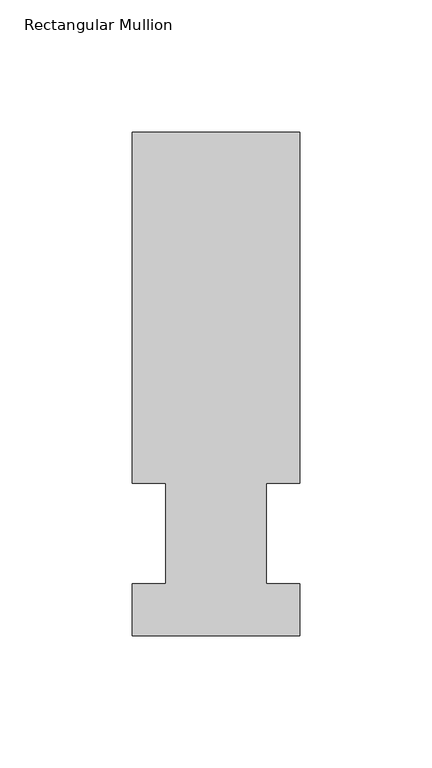
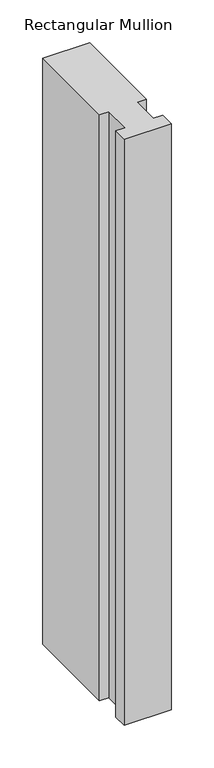
"""IFC4 building model written with IfcOpenShell, lengths in millimetres: member geometry, Rectangular Mullion."""

import ifcopenshell
import ifcopenshell.guid

model = None  # the IFC model being written
_history = None  # IfcOwnerHistory: only IFC2X3 demands one
_inside = {}  # id of a spatial element -> (the spatial element, [elements in it])
_under = {}  # id of a project, library or spatial element -> (it, [spatial elements below it])
_declared = {}  # id of a project -> (the project, [libraries it declares])
_typed = {}  # id of a type object -> (the type object, [elements of that type])
_made_of = {}  # id of a material, layer set ... -> (it, [elements and type objects made of it])


def new_model(schema):
    """Start an empty IFC model of exactly this schema.

    Asked for "IFC4X3", IfcOpenShell would pick the latest addendum, in which some entities
    have other attributes; the version numbers below select the first issue.
    IFC2X3 requires an IfcOwnerHistory on every rooted entity: one is made here for all.
    """
    global model, _history
    if schema == "IFC4X3":
        model = ifcopenshell.file(schema_version=(4, 3, 0, 0))
    else:
        model = ifcopenshell.file(schema=schema)
    _inside.clear()
    _under.clear()
    _declared.clear()
    _typed.clear()
    _made_of.clear()
    _history = None
    if model.schema == "IFC2X3":
        org = make("IfcOrganization", Name="unknown")
        user = make(
            "IfcPersonAndOrganization",
            ThePerson=make("IfcPerson", FamilyName="unknown"),
            TheOrganization=org,
        )
        app = make(
            "IfcApplication",
            ApplicationDeveloper=org,
            Version="unknown",
            ApplicationFullName="unknown",
            ApplicationIdentifier="unknown",
        )
        _history = make(
            "IfcOwnerHistory",
            OwningUser=user,
            OwningApplication=app,
            ChangeAction="ADDED",
            CreationDate=0,
        )
    return model


def make(cls, **values):
    """One entity of the class cls with the attributes given. An attribute that is None is left unset."""
    return model.create_entity(
        cls, **{name: value for name, value in values.items() if value is not None}
    )


def rooted(cls, **values):
    """An entity with a GlobalId (a new one), such as an element, a storey or a relation."""
    return make(cls, GlobalId=ifcopenshell.guid.new(), OwnerHistory=_history, **values)


def si_unit(unit_type, name, prefix=None):
    """IfcSIUnit, for example si_unit("LENGTHUNIT", "METRE", prefix="MILLI")."""
    return make("IfcSIUnit", UnitType=unit_type, Prefix=prefix, Name=name)


def assignment(units):
    """IfcUnitAssignment: the units of a project."""
    return None if units is None else make("IfcUnitAssignment", Units=units)


def point(xyz):
    """IfcCartesianPoint."""
    return None if xyz is None else make("IfcCartesianPoint", Coordinates=xyz)


def direction(xyz):
    """IfcDirection."""
    return None if xyz is None else make("IfcDirection", DirectionRatios=xyz)


def frame(location, z_axis=None, x_axis=None):
    """IfcAxis2Placement3D, a coordinate frame: its origin and axes. An axis left out is left unset."""
    return make(
        "IfcAxis2Placement3D",
        Location=point(location),
        Axis=direction(z_axis),
        RefDirection=direction(x_axis),
    )


def origin():
    """The frame at (0, 0, 0) with its axes left unset."""
    return frame((0.0, 0.0, 0.0))


def place(relative_to, where):
    """IfcLocalPlacement: puts the frame where relative to a parent placement (None: the world)."""
    return make(
        "IfcLocalPlacement", PlacementRelTo=relative_to, RelativePlacement=where
    )


def context(
    kind, dimensions, precision=None, world=None, true_north=None, identifier=None
):
    """IfcGeometricRepresentationContext, for example the 3D "Model" context."""
    return make(
        "IfcGeometricRepresentationContext",
        ContextIdentifier=identifier,
        ContextType=kind,
        CoordinateSpaceDimension=dimensions,
        Precision=precision,
        WorldCoordinateSystem=world,
        TrueNorth=true_north,
    )


def project(units=None, contexts=None):
    """IfcProject with its units and contexts."""
    return rooted(
        "IfcProject",
        Name="project",
        RepresentationContexts=contexts,
        UnitsInContext=assignment(units),
    )


def spatial(cls, under=None, at=None, **own):
    """A site, building, storey or space (cls), placed at a placement, below another one or the project."""
    s = rooted(cls, ObjectPlacement=at, **own)
    if under is not None:
        _under.setdefault(under.id(), (under, []))[1].append(s)
    return s


def polyline(points):
    """IfcPolyline through the points."""
    return make("IfcPolyline", Points=[point(p) for p in points])


def outline(outer, holes=None, kind="AREA"):
    """IfcArbitraryClosedProfileDef: a profile drawn as a closed curve; with holes, ...WithVoids."""
    if holes is None:
        return make("IfcArbitraryClosedProfileDef", ProfileType=kind, OuterCurve=outer)
    return make(
        "IfcArbitraryProfileDefWithVoids",
        ProfileType=kind,
        OuterCurve=outer,
        InnerCurves=holes,
    )


def extrude(swept, where, along, depth):
    """IfcExtrudedAreaSolid: the profile swept, set in the frame where, extruded along a direction by depth."""
    return make(
        "IfcExtrudedAreaSolid",
        SweptArea=swept,
        Position=where,
        ExtrudedDirection=direction(along),
        Depth=depth,
    )


def shape(context_of_items, identifier, shape_type, items):
    """IfcShapeRepresentation: the items that make up one representation, for example the "Body"."""
    return make(
        "IfcShapeRepresentation",
        ContextOfItems=context_of_items,
        RepresentationIdentifier=identifier,
        RepresentationType=shape_type,
        Items=items,
    )


def source(mapping_origin, context_of_items, identifier, shape_type, items):
    """IfcRepresentationMap: a shape defined once, which mapped items show again and again."""
    return make(
        "IfcRepresentationMap",
        MappingOrigin=mapping_origin,
        MappedRepresentation=shape(context_of_items, identifier, shape_type, items),
    )


def transform(
    local_origin,
    x_axis=None,
    y_axis=None,
    z_axis=None,
    scale=None,
    scale2=None,
    scale3=None,
    uniform=True,
):
    """IfcCartesianTransformationOperator3D, or its non-uniform kind. x_axis, y_axis, z_axis: its Axis1, 2, 3."""
    if uniform:
        return make(
            "IfcCartesianTransformationOperator3D",
            Axis1=direction(x_axis),
            Axis2=direction(y_axis),
            LocalOrigin=point(local_origin),
            Scale=scale,
            Axis3=direction(z_axis),
        )
    return make(
        "IfcCartesianTransformationOperator3DnonUniform",
        Axis1=direction(x_axis),
        Axis2=direction(y_axis),
        LocalOrigin=point(local_origin),
        Scale=scale,
        Axis3=direction(z_axis),
        Scale2=scale2,
        Scale3=scale3,
    )


def mapped(mapping_source, mapping_target):
    """IfcMappedItem: shows the shape of a source again, moved by a transform."""
    return make(
        "IfcMappedItem", MappingSource=mapping_source, MappingTarget=mapping_target
    )


def made_of(thing, what):
    """Note that an element or type object is made of a material, layer set ...; save() writes the relation."""
    if what is not None:
        _made_of.setdefault(what.id(), (what, []))[1].append(thing)
    return thing


def element(
    cls,
    number,
    at=None,
    inside=None,
    cuts=None,
    type_object=None,
    material=None,
    context=None,
    identifier="Body",
    shape_type=None,
    held_by="IfcProductDefinitionShape",
    body=None,
    shapes=None,
    **own,
):
    """One element of the class cls, such as IfcWall. Its Tag is "e" and its number.

    at: its placement. inside: the storey or other place that contains it. cuts: it is an
    opening in that element (IfcRelVoidsElement). A single representation is given by context,
    identifier, shape_type and body (its items); several are given by shapes. held_by: the class
    of the entity that holds the representations. save() writes the other relations.
    """
    e = rooted(cls, Tag="e%d" % number, ObjectPlacement=at, **own)
    if body is not None:
        shapes = [shape(context, identifier, shape_type, body)]
    if shapes is not None:
        e.Representation = make(held_by, Representations=shapes)
    if inside is not None:
        _inside.setdefault(inside.id(), (inside, []))[1].append(e)
    if cuts is not None:
        rooted(
            "IfcRelVoidsElement", RelatingBuildingElement=cuts, RelatedOpeningElement=e
        )
    if type_object is not None:
        _typed.setdefault(type_object.id(), (type_object, []))[1].append(e)
    return made_of(e, material)


def aggregate(whole, parts):
    """IfcRelAggregates: a whole, such as a stair, and the parts it consists of."""
    return rooted("IfcRelAggregates", RelatingObject=whole, RelatedObjects=parts)


def save(model, path):
    """Write the relations noted so far, then the file.

    IfcRelAggregates (storeys below a building ...), IfcRelContainedInSpatialStructure (elements
    in a storey), IfcRelDefinesByType, IfcRelAssociatesMaterial and IfcRelDeclares: one each for
    every whole, place, type object, material and project.
    """
    for whole, parts in _under.values():
        aggregate(whole, parts)
    for where, things in _inside.values():
        rooted(
            "IfcRelContainedInSpatialStructure",
            RelatedElements=things,
            RelatingStructure=where,
        )
    for kind, things in _typed.values():
        rooted("IfcRelDefinesByType", RelatedObjects=things, RelatingType=kind)
    for what, things in _made_of.values():
        rooted("IfcRelAssociatesMaterial", RelatedObjects=things, RelatingMaterial=what)
    for by, libraries in _declared.values():
        rooted("IfcRelDeclares", RelatingContext=by, RelatedDefinitions=libraries)
    model.write(path)


def rectangular_mullion_11c42432(model_context):
    return source(origin(), model_context, "Body", "SweptSolid", [
        extrude(outline(polyline([(31.7500003, 190.5896948), (31.7500003, 57.6460938), (19.0500003, 57.6460937), (19.0500003, 19.5460948), (31.7500003, 19.5460948), (31.7500003, 0.0134948), (-31.7499997, 0.0134948), (-31.7499997, 19.5460948), (-19.0499997, 19.5460948), (-19.0499997, 57.6460937), (-31.7500003, 57.6460937), (-31.7500003, 190.5896948), (31.7500003, 190.5896948)])), frame((0.0, 0.0, -838.2), z_axis=(0.0, 0.0, 1.0), x_axis=(1.0, 0.0, 0.0)), (0.0, 0.0, 1.0), 838.2),
    ])


if __name__ == "__main__":
    model = new_model("IFC4")
    model_context = context("Model", 3, world=origin())
    ifc_project = project(units=[si_unit("LENGTHUNIT", "METRE", prefix="MILLI")], contexts=[model_context])
    site = spatial("IfcSite", under=ifc_project)
    building = spatial("IfcBuilding", under=site)
    placement = place(None, origin())
    rectangular_mullion_shape = rectangular_mullion_11c42432(model_context)
    element("IfcMember", 1, ObjectType="Rectangular Mullion", at=placement, inside=building, context=model_context, shape_type="MappedRepresentation", body=[
        mapped(rectangular_mullion_shape, transform((0.0, 0.0, 0.0), x_axis=(1.0, 0.0, 0.0), y_axis=(0.0, 1.0, 0.0), z_axis=(0.0, 0.0, 1.0))),
    ])
    save(model, "model.ifc")
